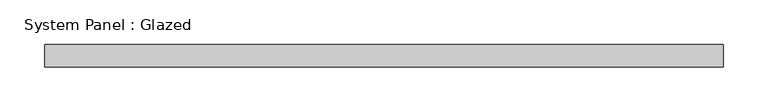
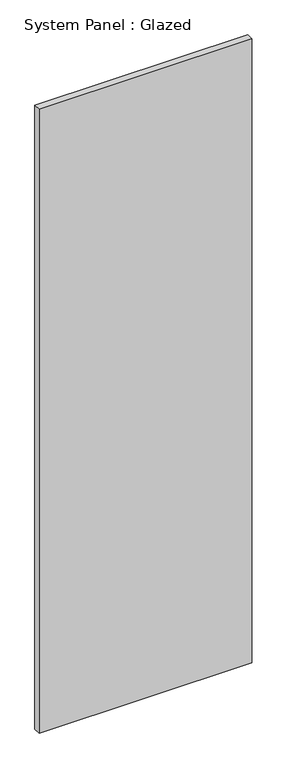
"""IFC4 building model written with IfcOpenShell, lengths in millimetres: plate geometry, System Panel : Glazed."""

from ifc_helpers import new_model, si_unit, origin, origin_with_axes, place, context, project, spatial, polyline, outline, extrude, source, transform, mapped, element, save


def system_panel_glazed_e377e3ef(model_context):
    return source(origin(), model_context, "Body", "SweptSolid", [
        extrude(outline(polyline([(381.0, -12.7), (-381.0, -12.7), (-381.0, 12.7), (381.0, 12.7), (381.0, -12.7)])), origin_with_axes(), (0.0, 0.0, 1.0), 2362.2),
    ])


if __name__ == "__main__":
    model = new_model("IFC4")
    model_context = context("Model", 3, world=origin())
    ifc_project = project(units=[si_unit("LENGTHUNIT", "METRE", prefix="MILLI")], contexts=[model_context])
    site = spatial("IfcSite", under=ifc_project)
    building = spatial("IfcBuilding", under=site)
    placement = place(None, origin())
    system_panel_glazed_shape = system_panel_glazed_e377e3ef(model_context)
    element("IfcPlate", 1, ObjectType="System Panel : Glazed", at=placement, inside=building, context=model_context, shape_type="MappedRepresentation", body=[
        mapped(system_panel_glazed_shape, transform((0.0, 0.0, 0.0), x_axis=(1.0, 0.0, 0.0), y_axis=(0.0, 1.0, 0.0), z_axis=(0.0, 0.0, 1.0))),
    ])
    save(model, "model.ifc")
